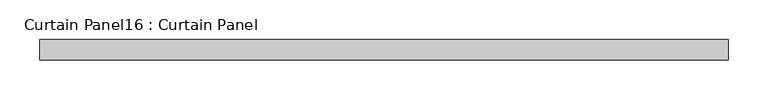
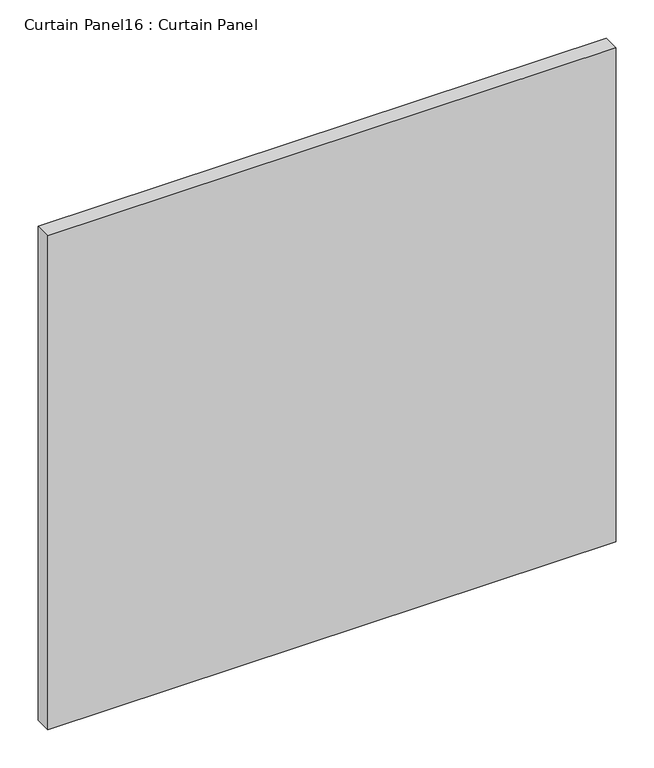
"""IFC4 building model written with IfcOpenShell, lengths in millimetres: plate geometry, Curtain Panel16 : Curtain Panel."""

from ifc_helpers import new_model, si_unit, frame, origin, place, context, project, spatial, polyline, outline, extrude, source, transform, mapped, element, save


def curtain_panel16_curtain_panel_f1fa77de(model_context):
    return source(origin(), model_context, "Body", "SweptSolid", [
        extrude(outline(polyline([(9654.2924629, 2827.780256), (8790.6926953, 2827.780256), (8790.6926953, 2853.180256), (9654.2924629, 2853.180256), (9654.2924629, 2827.780256)])), frame((0.0, 0.0, -576.2825526), z_axis=(0.0, 0.0, 1.0), x_axis=(1.0, 0.0, 0.0)), (0.0, 0.0, 1.0), 793.414044),
    ])


if __name__ == "__main__":
    model = new_model("IFC4")
    model_context = context("Model", 3, world=origin())
    ifc_project = project(units=[si_unit("LENGTHUNIT", "METRE", prefix="MILLI")], contexts=[model_context])
    site = spatial("IfcSite", under=ifc_project)
    building = spatial("IfcBuilding", under=site)
    placement = place(None, origin())
    curtain_panel16_curtain_panel_shape = curtain_panel16_curtain_panel_f1fa77de(model_context)
    element("IfcPlate", 1, ObjectType="Curtain Panel16 : Curtain Panel", at=placement, inside=building, context=model_context, shape_type="MappedRepresentation", body=[
        mapped(curtain_panel16_curtain_panel_shape, transform((0.0, 0.0, 0.0), x_axis=(1.0, 0.0, 0.0), y_axis=(0.0, 1.0, 0.0), z_axis=(0.0, 0.0, 1.0))),
    ])
    save(model, "model.ifc")
